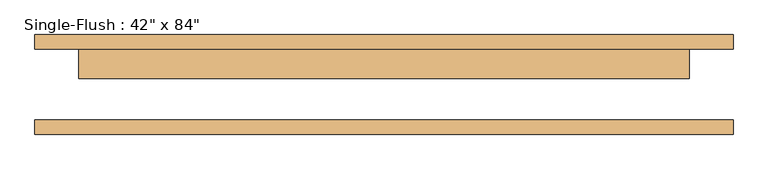
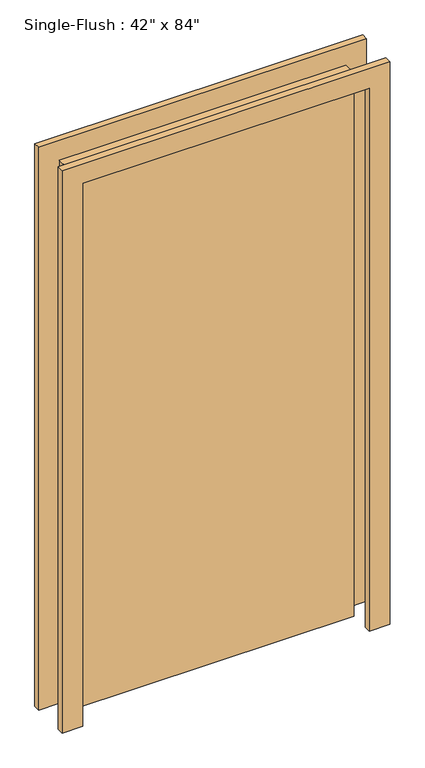
"""IFC4 building model written with IfcOpenShell, lengths in millimetres: door geometry."""

from ifc_helpers import new_model, si_unit, frame, origin, origin_with_axes, place, context, project, spatial, polyline, outline, extrude, source, transform, mapped, element, save


def door_af0cb62c(model_context):
    return source(origin(), model_context, "Body", "SweptSolid", [
        extrude(outline(polyline([(2209.8, -609.6), (0.0, -609.6), (0.0, -533.4), (2133.6, -533.4), (2133.6, 533.4), (0.0, 533.4), (0.0, 609.6), (2209.8, 609.6), (2209.8, -609.6)])), frame((0.0, 61.9125, 0.0), z_axis=(0.0, 1.0, 0.0), x_axis=(0.0, 0.0, 1.0)), (0.0, 0.0, 1.0), 25.4),
        extrude(outline(polyline([(2209.8, 609.6), (2209.8, -609.6), (0.0, -609.6), (0.0, -533.4), (2133.6, -533.4), (2133.6, 533.4), (0.0, 533.4), (0.0, 609.6), (2209.8, 609.6)])), frame((0.0, -87.3125, 0.0), z_axis=(0.0, 1.0, 0.0), x_axis=(0.0, 0.0, 1.0)), (0.0, 0.0, 1.0), 25.4),
        extrude(outline(polyline([(533.4, 11.1125), (-533.4, 11.1125), (-533.4, 61.9125), (533.4, 61.9125), (533.4, 11.1125)])), origin_with_axes(), (0.0, 0.0, 1.0), 2133.6),
    ])


if __name__ == "__main__":
    model = new_model("IFC4")
    model_context = context("Model", 3, world=origin())
    ifc_project = project(units=[si_unit("LENGTHUNIT", "METRE", prefix="MILLI")], contexts=[model_context])
    site = spatial("IfcSite", under=ifc_project)
    building = spatial("IfcBuilding", under=site)
    placement = place(None, origin())
    door_shape = door_af0cb62c(model_context)
    element("IfcDoor", 1, ObjectType="Single-Flush : 42\" x 84\"", at=placement, inside=building, context=model_context, shape_type="MappedRepresentation", body=[
        mapped(door_shape, transform((0.0, 0.0, 0.0), x_axis=(1.0, 0.0, 0.0), y_axis=(0.0, 1.0, 0.0), z_axis=(0.0, 0.0, 1.0))),
    ])
    save(model, "model.ifc")
